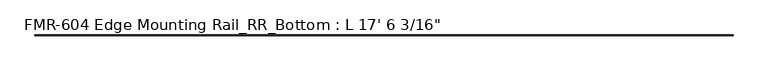
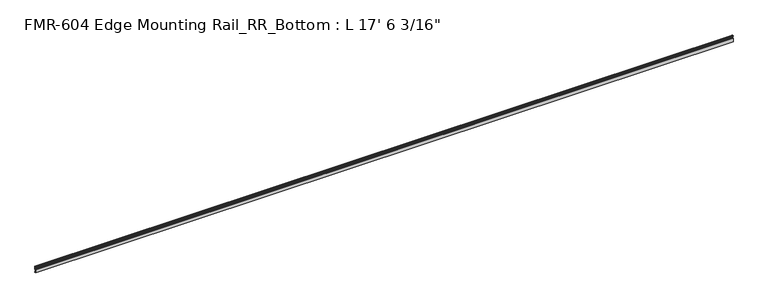
"""IFC4 building model written with IfcOpenShell, lengths in millimetres: proxy geometry."""

from ifc_helpers import new_model, si_unit, point, frame, frame_2d, origin, place, context, project, spatial, polyline, circle_curve, trimmed, segment, composite_curve, outline, extrude, source, transform, mapped, element, save


def proxy_6d91448c(model_context):
    return source(origin(), model_context, "Body", "SweptSolid", [
        extrude(outline(composite_curve([segment(polyline([(19.05, 16.8792515), (11.1125, 16.8792515), (11.1125, 42.2833359), (15.875, 42.2833359)]), True, "CONTINUOUS"), segment(trimmed(circle_curve(frame_2d((15.875, 43.8708359)), 1.5875), [point((15.875, 42.2833359))], [point((17.4625, 43.8708359))], True, "CARTESIAN"), True, "CONTINUOUS"), segment(polyline([(17.4625, 43.8708359), (17.4625, 46.2494644), (17.9716639, 47.166884), (17.9716639, 48.5070448), (17.4625, 49.4244644), (17.4625, 60.6120764)]), True, "CONTINUOUS"), segment(trimmed(circle_curve(frame_2d((16.9545, 60.6120764)), 0.508), [point((17.4625, 60.6120764))], [point((16.9376166, 61.1197958))], True, "CARTESIAN"), True, "CONTINUOUS"), segment(trimmed(circle_curve(frame_2d((16.9169378, 60.3580764)), 0.762), [point((16.9376166, 61.1197958))], [point((16.1779173, 60.1723546))], True, "CARTESIAN"), True, "CONTINUOUS"), segment(trimmed(circle_curve(frame_2d((15.6245238, 60.0332823)), 0.5706009), [point((16.1779173, 60.1723546))], [point((15.4364113, 59.4945809))], False, "CARTESIAN"), True, "CONTINUOUS"), segment(polyline([(15.4364113, 59.4945809), (13.6400687, 60.05524)]), True, "CONTINUOUS"), segment(trimmed(circle_curve(frame_2d((14.5481808, 62.9648167)), 3.048), [point((13.6400687, 60.05524))], [point((11.9462301, 64.5523167))], False, "CARTESIAN"), True, "CONTINUOUS"), segment(trimmed(circle_curve(frame_2d((14.5481808, 62.9648167)), 3.048), [point((11.9462301, 64.5523167))], [point((13.6400687, 65.8743933))], False, "CARTESIAN"), True, "CONTINUOUS"), segment(polyline([(13.6400687, 65.8743933), (15.4750158, 66.4471012)]), True, "CONTINUOUS"), segment(trimmed(circle_curve(frame_2d((15.6853088, 66.0271866)), 0.4696291), [point((15.4750158, 66.4471012))], [point((16.1549378, 66.0271866))], False, "CARTESIAN"), True, "CONTINUOUS"), segment(polyline([(16.1549378, 66.0271866), (16.1549378, 64.4855764)]), True, "CONTINUOUS"), segment(trimmed(circle_curve(frame_2d((17.7424378, 64.4855764)), 1.5875), [point((16.1549378, 64.4855764))], [point((17.7424378, 62.8980764))], True, "CARTESIAN"), True, "CONTINUOUS"), segment(polyline([(17.7424378, 62.8980764), (19.05, 62.8980764), (19.05, 42.2605764)]), True, "CONTINUOUS"), segment(trimmed(circle_curve(frame_2d((17.4625, 42.2605764)), 1.5875), [point((19.05, 42.2605764))], [point((17.4625, 40.6730764))], False, "CARTESIAN"), True, "CONTINUOUS"), segment(polyline([(17.4625, 40.6730764), (12.7, 40.6730764), (12.7, 18.4667515), (17.4625, 18.4667515), (17.4625, 20.0542515), (19.05, 20.0542515), (19.05, 16.8792515)]), True, "CONTINUOUS")], self_intersect=False)), frame((-5033.9625, 0.0, 0.0), z_axis=(1.0, 0.0, 0.0), x_axis=(0.0, 1.0, 0.0)), (0.0, 0.0, 1.0), 5338.7625),
    ])


if __name__ == "__main__":
    model = new_model("IFC4")
    model_context = context("Model", 3, world=origin())
    ifc_project = project(units=[si_unit("LENGTHUNIT", "METRE", prefix="MILLI")], contexts=[model_context])
    site = spatial("IfcSite", under=ifc_project)
    building = spatial("IfcBuilding", under=site)
    placement = place(None, origin())
    proxy_shape = proxy_6d91448c(model_context)
    element("IfcBuildingElementProxy", 1, Name="FMR-604 Edge Mounting Rail_RR_Bottom : L 17' 6 3/16\"", ObjectType="FMR-604 Edge Mounting Rail_RR_Bottom : L 17' 6 3/16\"", at=placement, inside=building, context=model_context, shape_type="MappedRepresentation", body=[
        mapped(proxy_shape, transform((0.0, 0.0, 0.0), x_axis=(1.0, 0.0, 0.0), y_axis=(0.0, 1.0, 0.0), z_axis=(0.0, 0.0, 1.0))),
    ])
    save(model, "model.ifc")
